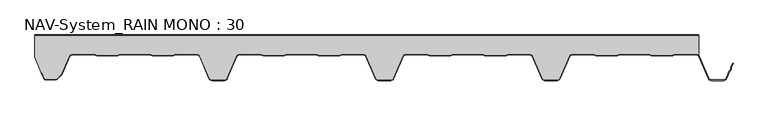
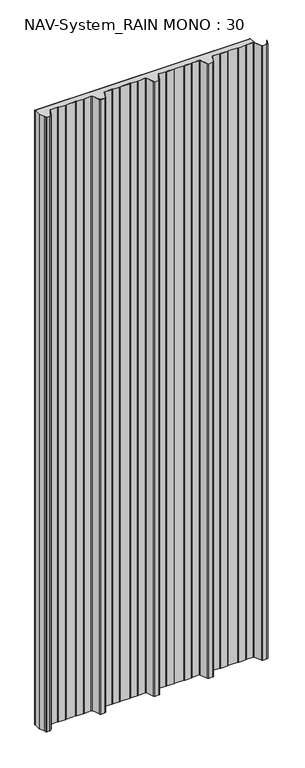
"""IFC4 building model written with IfcOpenShell, lengths in millimetres: plate geometry, NAV-System_RAIN MONO : 30."""

from ifc_helpers import new_model, si_unit, point, frame_2d, origin, origin_with_axes, place, context, project, spatial, polyline, circle_curve, trimmed, segment, composite_curve, outline, extrude, source, transform, mapped, element, save


def nav_system_rain_mono_30_3dca3061(model_context):
    return source(origin(), model_context, "Body", "SweptSolid", [
        extrude(outline(polyline([(519.0, -0.8), (-478.0, -0.8), (-478.0, 0.0), (519.0, 0.0), (519.0, -0.8)])), origin_with_axes(), (0.0, 0.0, 1.0), 3000.0),
        extrude(outline(composite_curve([segment(trimmed(circle_curve(frame_2d((515.5898022, -34.0)), 4.8), [point((519.0, -30.6220493))], [point((515.5898022, -29.2))], True, "CARTESIAN"), True, "CONTINUOUS"), segment(polyline([(515.5898022, -29.2), (483.6922468, -29.2), (479.6508228, -30.7), (448.0723788, -30.6741102), (444.1768702, -29.2), (400.3589135, -29.2), (396.3174895, -30.7), (364.7390455, -30.6741102), (360.8435369, -29.2), (328.9416341, -29.2)]), True, "CONTINUOUS"), segment(trimmed(circle_curve(frame_2d((328.9416341, -34.0)), 4.8), [point((328.9416341, -29.2))], [point((324.5314363, -32.1052295))], True, "CARTESIAN"), True, "CONTINUOUS"), segment(polyline([(324.5314363, -32.1052295), (310.330878, -65.1579242)]), True, "CONTINUOUS"), segment(trimmed(circle_curve(frame_2d((306.4719549, -63.5)), 4.2), [point((310.330878, -65.1579242))], [point((306.4719549, -67.7))], False, "CARTESIAN"), True, "CONTINUOUS"), segment(polyline([(306.4719549, -67.7), (288.0594814, -67.7)]), True, "CONTINUOUS"), segment(trimmed(circle_curve(frame_2d((288.0594814, -63.5)), 4.2), [point((288.0594814, -67.7))], [point((284.2005583, -65.1579242))], False, "CARTESIAN"), True, "CONTINUOUS"), segment(polyline([(284.2005583, -65.1579242), (270.0, -32.1052295)]), True, "CONTINUOUS"), segment(trimmed(circle_curve(frame_2d((265.5898022, -34.0)), 4.8), [point((270.0, -32.1052295))], [point((265.5898022, -29.2))], True, "CARTESIAN"), True, "CONTINUOUS"), segment(polyline([(265.5898022, -29.2), (233.6922468, -29.2), (229.6508228, -30.7), (198.0723788, -30.6741102), (194.1768702, -29.2), (150.3589135, -29.2), (146.3174895, -30.7), (114.8074622, -30.7), (110.8435369, -29.2), (78.9416341, -29.2)]), True, "CONTINUOUS"), segment(trimmed(circle_curve(frame_2d((78.9416341, -34.0)), 4.8), [point((78.9416341, -29.2))], [point((74.5314363, -32.1052295))], True, "CARTESIAN"), True, "CONTINUOUS"), segment(polyline([(74.5314363, -32.1052295), (60.330878, -65.1579242)]), True, "CONTINUOUS"), segment(trimmed(circle_curve(frame_2d((56.4719549, -63.5)), 4.2), [point((60.330878, -65.1579242))], [point((56.4719549, -67.7))], False, "CARTESIAN"), True, "CONTINUOUS"), segment(polyline([(56.4719549, -67.7), (38.0594814, -67.7)]), True, "CONTINUOUS"), segment(trimmed(circle_curve(frame_2d((38.0594814, -63.5)), 4.2), [point((38.0594814, -67.7))], [point((34.2005583, -65.1579242))], False, "CARTESIAN"), True, "CONTINUOUS"), segment(polyline([(34.2005583, -65.1579242), (20.0, -32.1052295)]), True, "CONTINUOUS"), segment(trimmed(circle_curve(frame_2d((15.5898022, -34.0)), 4.8), [point((20.0, -32.1052295))], [point((15.5898022, -29.2))], True, "CARTESIAN"), True, "CONTINUOUS"), segment(polyline([(15.5898022, -29.2), (-16.3077532, -29.2), (-20.3491772, -30.7), (-51.9276212, -30.6741102), (-55.8231298, -29.2), (-99.6410865, -29.2), (-103.6825105, -30.7), (-135.1925378, -30.7), (-139.1564631, -29.2), (-171.0583659, -29.2)]), True, "CONTINUOUS"), segment(trimmed(circle_curve(frame_2d((-171.0583659, -34.0)), 4.8), [point((-171.0583659, -29.2))], [point((-175.4685637, -32.1052295))], True, "CARTESIAN"), True, "CONTINUOUS"), segment(polyline([(-175.4685637, -32.1052295), (-189.669122, -65.1579242)]), True, "CONTINUOUS"), segment(trimmed(circle_curve(frame_2d((-193.5280451, -63.5)), 4.2), [point((-189.669122, -65.1579242))], [point((-193.5280451, -67.7))], False, "CARTESIAN"), True, "CONTINUOUS"), segment(polyline([(-193.5280451, -67.7), (-211.9405186, -67.7)]), True, "CONTINUOUS"), segment(trimmed(circle_curve(frame_2d((-211.9405186, -63.5)), 4.2), [point((-211.9405186, -67.7))], [point((-215.7994417, -65.1579242))], False, "CARTESIAN"), True, "CONTINUOUS"), segment(polyline([(-215.7994417, -65.1579242), (-230.0, -32.1052295)]), True, "CONTINUOUS"), segment(trimmed(circle_curve(frame_2d((-234.4101978, -34.0)), 4.8), [point((-230.0, -32.1052295))], [point((-234.4101978, -29.2))], True, "CARTESIAN"), True, "CONTINUOUS"), segment(polyline([(-234.4101978, -29.2), (-266.3077532, -29.2), (-270.3491772, -30.7), (-301.9276212, -30.6741102), (-305.8231298, -29.2), (-349.6410865, -29.2), (-353.6825105, -30.7), (-385.1925378, -30.7), (-389.1564631, -29.2), (-421.9290751, -29.2)]), True, "CONTINUOUS"), segment(trimmed(circle_curve(frame_2d((-421.9290751, -34.0)), 4.8), [point((-421.9290751, -29.2))], [point((-426.3392729, -32.1052295))], True, "CARTESIAN"), True, "CONTINUOUS"), segment(polyline([(-426.3392729, -32.1052295), (-437.4245651, -57.9069459)]), True, "CONTINUOUS"), segment(trimmed(circle_curve(frame_2d((-441.2834882, -56.2490217)), 4.2), [point((-437.4245651, -57.9069459))], [point((-438.3136397, -59.2188701))], False, "CARTESIAN"), True, "CONTINUOUS"), segment(polyline([(-438.3136397, -59.2188701), (-444.764618, -65.6698485)]), True, "CONTINUOUS"), segment(trimmed(circle_curve(frame_2d((-447.7344665, -62.7)), 4.2), [point((-444.764618, -65.6698485))], [point((-447.7344665, -66.9))], False, "CARTESIAN"), True, "CONTINUOUS"), segment(polyline([(-447.7344665, -66.9), (-461.1405186, -66.9)]), True, "CONTINUOUS"), segment(trimmed(circle_curve(frame_2d((-461.1405186, -63.7)), 3.2), [point((-461.1405186, -66.9))], [point((-464.1022482, -64.9116756))], False, "CARTESIAN"), True, "CONTINUOUS"), segment(polyline([(-464.1022482, -64.9116756), (-467.6292254, -56.2905951), (-468.3696578, -56.593514), (-478.0, -33.053822), (-478.0, -0.8), (519.0, -0.8), (519.0, -30.6220493)]), True, "CONTINUOUS")], self_intersect=False)), origin_with_axes(), (0.0, 0.0, 1.0), 3000.0),
        extrude(outline(composite_curve([segment(polyline([(-464.8430228, -65.2145945), (-468.37, -56.593514), (-467.6295676, -56.2905951), (-464.1025904, -64.9116756)]), True, "CONTINUOUS"), segment(trimmed(circle_curve(frame_2d((-461.1408608, -63.7)), 3.2), [point((-464.1025904, -64.9116756))], [point((-461.1408608, -66.9))], True, "CARTESIAN"), True, "CONTINUOUS"), segment(polyline([(-461.1408608, -66.9), (-447.7348087, -66.9)]), True, "CONTINUOUS"), segment(trimmed(circle_curve(frame_2d((-447.7348087, -62.7)), 4.2), [point((-447.7348087, -66.9))], [point((-444.7649603, -65.6698485))], True, "CARTESIAN"), True, "CONTINUOUS"), segment(polyline([(-444.7649603, -65.6698485), (-438.3139819, -59.2188701)]), True, "CONTINUOUS"), segment(trimmed(circle_curve(frame_2d((-441.2838304, -56.2490217)), 4.2), [point((-438.3139819, -59.2188701))], [point((-437.4249073, -57.9069459))], True, "CARTESIAN"), True, "CONTINUOUS"), segment(polyline([(-437.4249073, -57.9069459), (-426.3396151, -32.1052295)]), True, "CONTINUOUS"), segment(trimmed(circle_curve(frame_2d((-421.9294173, -34.0)), 4.8), [point((-426.3396151, -32.1052295))], [point((-421.9294173, -29.2))], False, "CARTESIAN"), True, "CONTINUOUS"), segment(polyline([(-421.9294173, -29.2), (-389.1568054, -29.2), (-385.19288, -30.7), (-353.6828527, -30.7), (-349.6414287, -29.2), (-305.8234721, -29.2), (-301.9279634, -30.6741102), (-270.3495194, -30.7), (-266.3080954, -29.2), (-234.41054, -29.2)]), True, "CONTINUOUS"), segment(trimmed(circle_curve(frame_2d((-234.41054, -34.0)), 4.8), [point((-234.41054, -29.2))], [point((-230.0003422, -32.1052295))], False, "CARTESIAN"), True, "CONTINUOUS"), segment(polyline([(-230.0003422, -32.1052295), (-215.7997839, -65.1579242)]), True, "CONTINUOUS"), segment(trimmed(circle_curve(frame_2d((-211.9408608, -63.5)), 4.2), [point((-215.7997839, -65.1579242))], [point((-211.9408608, -67.7))], True, "CARTESIAN"), True, "CONTINUOUS"), segment(polyline([(-211.9408608, -67.7), (-193.5283873, -67.7)]), True, "CONTINUOUS"), segment(trimmed(circle_curve(frame_2d((-193.5283873, -63.5)), 4.2), [point((-193.5283873, -67.7))], [point((-189.6694642, -65.1579242))], True, "CARTESIAN"), True, "CONTINUOUS"), segment(polyline([(-189.6694642, -65.1579242), (-175.4689059, -32.1052295)]), True, "CONTINUOUS"), segment(trimmed(circle_curve(frame_2d((-171.0587081, -34.0)), 4.8), [point((-175.4689059, -32.1052295))], [point((-171.0587081, -29.2))], False, "CARTESIAN"), True, "CONTINUOUS"), segment(polyline([(-171.0587081, -29.2), (-139.1568054, -29.2), (-135.2612967, -30.6741102), (-103.6828527, -30.7), (-99.6414287, -29.2), (-55.8234721, -29.2), (-51.9279634, -30.6741102), (-20.3495194, -30.7), (-16.3080954, -29.2), (15.58946, -29.2)]), True, "CONTINUOUS"), segment(trimmed(circle_curve(frame_2d((15.58946, -34.0)), 4.8), [point((15.58946, -29.2))], [point((19.9996578, -32.1052295))], False, "CARTESIAN"), True, "CONTINUOUS"), segment(polyline([(19.9996578, -32.1052295), (34.2002161, -65.1579242)]), True, "CONTINUOUS"), segment(trimmed(circle_curve(frame_2d((38.0591392, -63.5)), 4.2), [point((34.2002161, -65.1579242))], [point((38.0591392, -67.7))], True, "CARTESIAN"), True, "CONTINUOUS"), segment(polyline([(38.0591392, -67.7), (56.4716127, -67.7)]), True, "CONTINUOUS"), segment(trimmed(circle_curve(frame_2d((56.4716127, -63.5)), 4.2), [point((56.4716127, -67.7))], [point((60.3305358, -65.1579242))], True, "CARTESIAN"), True, "CONTINUOUS"), segment(polyline([(60.3305358, -65.1579242), (74.5310941, -32.1052295)]), True, "CONTINUOUS"), segment(trimmed(circle_curve(frame_2d((78.9412919, -34.0)), 4.8), [point((74.5310941, -32.1052295))], [point((78.9412919, -29.2))], False, "CARTESIAN"), True, "CONTINUOUS"), segment(polyline([(78.9412919, -29.2), (110.8431946, -29.2), (114.7387033, -30.6741102), (146.3171473, -30.7), (150.3585713, -29.2), (194.1765279, -29.2), (198.0720366, -30.6741102), (229.6504806, -30.7), (233.6919046, -29.2), (265.58946, -29.2)]), True, "CONTINUOUS"), segment(trimmed(circle_curve(frame_2d((265.58946, -34.0)), 4.8), [point((265.58946, -29.2))], [point((269.9996578, -32.1052295))], False, "CARTESIAN"), True, "CONTINUOUS"), segment(polyline([(269.9996578, -32.1052295), (284.2002161, -65.1579242)]), True, "CONTINUOUS"), segment(trimmed(circle_curve(frame_2d((288.0591392, -63.5)), 4.2), [point((284.2002161, -65.1579242))], [point((288.0591392, -67.7))], True, "CARTESIAN"), True, "CONTINUOUS"), segment(polyline([(288.0591392, -67.7), (306.4716127, -67.7)]), True, "CONTINUOUS"), segment(trimmed(circle_curve(frame_2d((306.4716127, -63.5)), 4.2), [point((306.4716127, -67.7))], [point((310.3305358, -65.1579242))], True, "CARTESIAN"), True, "CONTINUOUS"), segment(polyline([(310.3305358, -65.1579242), (324.5310941, -32.1052295)]), True, "CONTINUOUS"), segment(trimmed(circle_curve(frame_2d((328.9412919, -34.0)), 4.8), [point((324.5310941, -32.1052295))], [point((328.9412919, -29.2))], False, "CARTESIAN"), True, "CONTINUOUS"), segment(polyline([(328.9412919, -29.2), (360.8431946, -29.2), (364.7387033, -30.6741102), (396.3171473, -30.7), (400.3585713, -29.2), (444.1765279, -29.2), (448.0720366, -30.6741102), (479.6504806, -30.7), (483.6919046, -29.2), (515.58946, -29.2)]), True, "CONTINUOUS"), segment(trimmed(circle_curve(frame_2d((515.58946, -34.0)), 4.8), [point((515.58946, -29.2))], [point((519.9996578, -32.1052295))], False, "CARTESIAN"), True, "CONTINUOUS"), segment(polyline([(519.9996578, -32.1052295), (534.2002161, -65.1579242)]), True, "CONTINUOUS"), segment(trimmed(circle_curve(frame_2d((538.0591392, -63.5)), 4.2), [point((534.2002161, -65.1579242))], [point((538.0591392, -67.7))], True, "CARTESIAN"), True, "CONTINUOUS"), segment(polyline([(538.0591392, -67.7), (556.4716127, -67.7)]), True, "CONTINUOUS"), segment(trimmed(circle_curve(frame_2d((556.4716127, -63.5)), 4.2), [point((556.4716127, -67.7))], [point((560.3305358, -65.1579242))], True, "CARTESIAN"), True, "CONTINUOUS"), segment(polyline([(560.3305358, -65.1579242), (565.2356202, -53.741031), (567.1121268, -52.0654564), (567.0358547, -49.5508717), (570.0831709, -42.458051), (570.8182039, -42.7738461), (567.8408612, -49.703799), (567.9230626, -52.4138642), (565.9006789, -54.2196957), (561.0655687, -65.4737193)]), True, "CONTINUOUS"), segment(trimmed(circle_curve(frame_2d((556.4716127, -63.5)), 5.0), [point((561.0655687, -65.4737193))], [point((556.4716127, -68.5))], False, "CARTESIAN"), True, "CONTINUOUS"), segment(polyline([(556.4716127, -68.5), (538.0591392, -68.5)]), True, "CONTINUOUS"), segment(trimmed(circle_curve(frame_2d((538.0591392, -63.5)), 5.0), [point((538.0591392, -68.5))], [point((533.4651831, -65.4737193))], False, "CARTESIAN"), True, "CONTINUOUS"), segment(polyline([(533.4651831, -65.4737193), (519.2646248, -32.4210246)]), True, "CONTINUOUS"), segment(trimmed(circle_curve(frame_2d((515.58946, -34.0)), 4.0), [point((519.2646248, -32.4210246))], [point((515.58946, -30.0))], True, "CARTESIAN"), True, "CONTINUOUS"), segment(polyline([(515.58946, -30.0), (483.8338601, -30.0), (479.8699347, -31.5), (447.9941505, -31.5), (444.0302251, -30.0), (400.5005268, -30.0), (396.5366014, -31.5), (364.6608172, -31.5), (360.6968918, -30.0), (328.9412919, -30.0)]), True, "CONTINUOUS"), segment(trimmed(circle_curve(frame_2d((328.9412919, -34.0)), 4.0), [point((328.9412919, -30.0))], [point((325.2661271, -32.4210246))], True, "CARTESIAN"), True, "CONTINUOUS"), segment(polyline([(325.2661271, -32.4210246), (311.0655687, -65.4737193)]), True, "CONTINUOUS"), segment(trimmed(circle_curve(frame_2d((306.4716127, -63.5)), 5.0), [point((311.0655687, -65.4737193))], [point((306.4716127, -68.5))], False, "CARTESIAN"), True, "CONTINUOUS"), segment(polyline([(306.4716127, -68.5), (288.0591392, -68.5)]), True, "CONTINUOUS"), segment(trimmed(circle_curve(frame_2d((288.0591392, -63.5)), 5.0), [point((288.0591392, -68.5))], [point((283.4651831, -65.4737193))], False, "CARTESIAN"), True, "CONTINUOUS"), segment(polyline([(283.4651831, -65.4737193), (269.2646248, -32.4210246)]), True, "CONTINUOUS"), segment(trimmed(circle_curve(frame_2d((265.58946, -34.0)), 4.0), [point((269.2646248, -32.4210246))], [point((265.58946, -30.0))], True, "CARTESIAN"), True, "CONTINUOUS"), segment(polyline([(265.58946, -30.0), (233.8338601, -30.0), (229.8699347, -31.5), (197.9941505, -31.5), (194.0302251, -30.0), (150.5005268, -30.0), (146.5366014, -31.5), (114.6608172, -31.5), (110.6968918, -30.0), (78.9412919, -30.0)]), True, "CONTINUOUS"), segment(trimmed(circle_curve(frame_2d((78.9412919, -34.0)), 4.0), [point((78.9412919, -30.0))], [point((75.2661271, -32.4210246))], True, "CARTESIAN"), True, "CONTINUOUS"), segment(polyline([(75.2661271, -32.4210246), (61.0655687, -65.4737193)]), True, "CONTINUOUS"), segment(trimmed(circle_curve(frame_2d((56.4716127, -63.5)), 5.0), [point((61.0655687, -65.4737193))], [point((56.4716127, -68.5))], False, "CARTESIAN"), True, "CONTINUOUS"), segment(polyline([(56.4716127, -68.5), (38.0591392, -68.5)]), True, "CONTINUOUS"), segment(trimmed(circle_curve(frame_2d((38.0591392, -63.5)), 5.0), [point((38.0591392, -68.5))], [point((33.4651831, -65.4737193))], False, "CARTESIAN"), True, "CONTINUOUS"), segment(polyline([(33.4651831, -65.4737193), (19.2646248, -32.4210246)]), True, "CONTINUOUS"), segment(trimmed(circle_curve(frame_2d((15.58946, -34.0)), 4.0), [point((19.2646248, -32.4210246))], [point((15.58946, -30.0))], True, "CARTESIAN"), True, "CONTINUOUS"), segment(polyline([(15.58946, -30.0), (-16.1661399, -30.0), (-20.1300653, -31.5), (-52.0058495, -31.5), (-55.9697749, -30.0), (-99.4994732, -30.0), (-103.4633986, -31.5), (-135.3391828, -31.5), (-139.3031082, -30.0), (-171.0587081, -30.0)]), True, "CONTINUOUS"), segment(trimmed(circle_curve(frame_2d((-171.0587081, -34.0)), 4.0), [point((-171.0587081, -30.0))], [point((-174.7338729, -32.4210246))], True, "CARTESIAN"), True, "CONTINUOUS"), segment(polyline([(-174.7338729, -32.4210246), (-188.9344313, -65.4737193)]), True, "CONTINUOUS"), segment(trimmed(circle_curve(frame_2d((-193.5283873, -63.5)), 5.0), [point((-188.9344313, -65.4737193))], [point((-193.5283873, -68.5))], False, "CARTESIAN"), True, "CONTINUOUS"), segment(polyline([(-193.5283873, -68.5), (-211.9408608, -68.5)]), True, "CONTINUOUS"), segment(trimmed(circle_curve(frame_2d((-211.9408608, -63.5)), 5.0), [point((-211.9408608, -68.5))], [point((-216.5348169, -65.4737193))], False, "CARTESIAN"), True, "CONTINUOUS"), segment(polyline([(-216.5348169, -65.4737193), (-230.7353752, -32.4210246)]), True, "CONTINUOUS"), segment(trimmed(circle_curve(frame_2d((-234.41054, -34.0)), 4.0), [point((-230.7353752, -32.4210246))], [point((-234.41054, -30.0))], True, "CARTESIAN"), True, "CONTINUOUS"), segment(polyline([(-234.41054, -30.0), (-266.1661399, -30.0), (-270.1300653, -31.5), (-302.0058495, -31.5), (-305.9697749, -30.0), (-349.4994732, -30.0), (-353.4633986, -31.5), (-385.3391828, -31.5), (-389.3031082, -30.0), (-421.9294173, -30.0)]), True, "CONTINUOUS"), segment(trimmed(circle_curve(frame_2d((-421.9294173, -34.0)), 4.0), [point((-421.9294173, -30.0))], [point((-425.6045822, -32.4210246))], True, "CARTESIAN"), True, "CONTINUOUS"), segment(polyline([(-425.6045822, -32.4210246), (-436.6898744, -58.2227409)]), True, "CONTINUOUS"), segment(trimmed(circle_curve(frame_2d((-441.2838304, -56.2490217)), 5.0), [point((-436.6898744, -58.2227409))], [point((-437.7482965, -59.7845556))], False, "CARTESIAN"), True, "CONTINUOUS"), segment(polyline([(-437.7482965, -59.7845556), (-444.1992748, -66.2355339)]), True, "CONTINUOUS"), segment(trimmed(circle_curve(frame_2d((-447.7348087, -62.7)), 5.0), [point((-444.1992748, -66.2355339))], [point((-447.7348087, -67.7))], False, "CARTESIAN"), True, "CONTINUOUS"), segment(polyline([(-447.7348087, -67.7), (-461.1408608, -67.7)]), True, "CONTINUOUS"), segment(trimmed(circle_curve(frame_2d((-461.1408608, -63.7)), 4.0), [point((-461.1408608, -67.7))], [point((-464.8430228, -65.2145945))], False, "CARTESIAN"), True, "CONTINUOUS")], self_intersect=False)), origin_with_axes(), (0.0, 0.0, 1.0), 3000.0),
    ])


if __name__ == "__main__":
    model = new_model("IFC4")
    model_context = context("Model", 3, world=origin())
    ifc_project = project(units=[si_unit("LENGTHUNIT", "METRE", prefix="MILLI")], contexts=[model_context])
    site = spatial("IfcSite", under=ifc_project)
    building = spatial("IfcBuilding", under=site)
    placement = place(None, origin())
    nav_system_rain_mono_30_shape = nav_system_rain_mono_30_3dca3061(model_context)
    element("IfcPlate", 1, ObjectType="NAV-System_RAIN MONO : 30", at=placement, inside=building, context=model_context, shape_type="MappedRepresentation", body=[
        mapped(nav_system_rain_mono_30_shape, transform((0.0, 0.0, 0.0), x_axis=(1.0, 0.0, 0.0), y_axis=(0.0, 1.0, 0.0), z_axis=(0.0, 0.0, 1.0))),
    ])
    save(model, "model.ifc")
